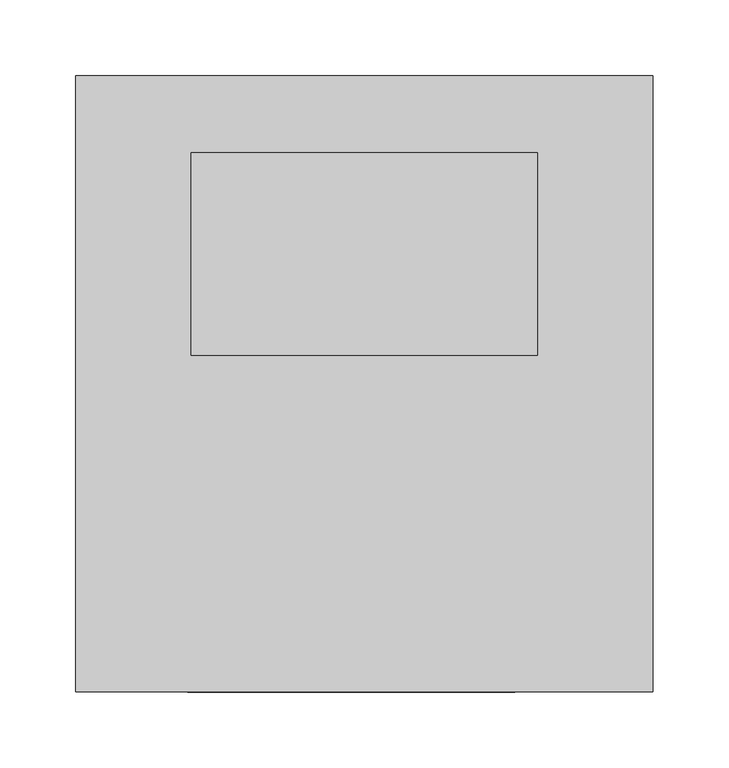
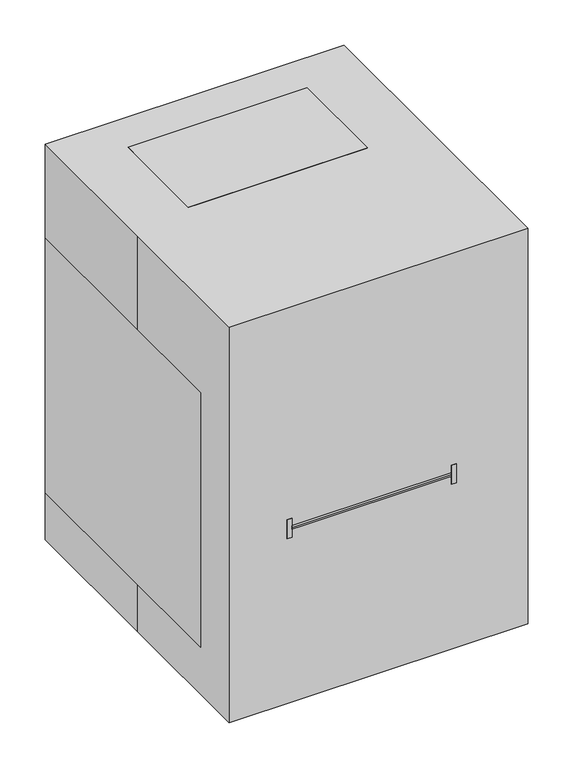
"""IFC4 building model written with IfcOpenShell, lengths in millimetres: proxy geometry."""

import ifcopenshell
import ifcopenshell.guid

model = None  # the IFC model being written
_history = None  # IfcOwnerHistory: only IFC2X3 demands one
_inside = {}  # id of a spatial element -> (the spatial element, [elements in it])
_under = {}  # id of a project, library or spatial element -> (it, [spatial elements below it])
_declared = {}  # id of a project -> (the project, [libraries it declares])
_typed = {}  # id of a type object -> (the type object, [elements of that type])
_made_of = {}  # id of a material, layer set ... -> (it, [elements and type objects made of it])


def new_model(schema):
    """Start an empty IFC model of exactly this schema.

    Asked for "IFC4X3", IfcOpenShell would pick the latest addendum, in which some entities
    have other attributes; the version numbers below select the first issue.
    IFC2X3 requires an IfcOwnerHistory on every rooted entity: one is made here for all.
    """
    global model, _history
    if schema == "IFC4X3":
        model = ifcopenshell.file(schema_version=(4, 3, 0, 0))
    else:
        model = ifcopenshell.file(schema=schema)
    _inside.clear()
    _under.clear()
    _declared.clear()
    _typed.clear()
    _made_of.clear()
    _history = None
    if model.schema == "IFC2X3":
        org = make("IfcOrganization", Name="unknown")
        user = make(
            "IfcPersonAndOrganization",
            ThePerson=make("IfcPerson", FamilyName="unknown"),
            TheOrganization=org,
        )
        app = make(
            "IfcApplication",
            ApplicationDeveloper=org,
            Version="unknown",
            ApplicationFullName="unknown",
            ApplicationIdentifier="unknown",
        )
        _history = make(
            "IfcOwnerHistory",
            OwningUser=user,
            OwningApplication=app,
            ChangeAction="ADDED",
            CreationDate=0,
        )
    return model


def make(cls, **values):
    """One entity of the class cls with the attributes given. An attribute that is None is left unset."""
    return model.create_entity(
        cls, **{name: value for name, value in values.items() if value is not None}
    )


def rooted(cls, **values):
    """An entity with a GlobalId (a new one), such as an element, a storey or a relation."""
    return make(cls, GlobalId=ifcopenshell.guid.new(), OwnerHistory=_history, **values)


def si_unit(unit_type, name, prefix=None):
    """IfcSIUnit, for example si_unit("LENGTHUNIT", "METRE", prefix="MILLI")."""
    return make("IfcSIUnit", UnitType=unit_type, Prefix=prefix, Name=name)


def assignment(units):
    """IfcUnitAssignment: the units of a project."""
    return None if units is None else make("IfcUnitAssignment", Units=units)


def point(xyz):
    """IfcCartesianPoint."""
    return None if xyz is None else make("IfcCartesianPoint", Coordinates=xyz)


def direction(xyz):
    """IfcDirection."""
    return None if xyz is None else make("IfcDirection", DirectionRatios=xyz)


def frame(location, z_axis=None, x_axis=None):
    """IfcAxis2Placement3D, a coordinate frame: its origin and axes. An axis left out is left unset."""
    return make(
        "IfcAxis2Placement3D",
        Location=point(location),
        Axis=direction(z_axis),
        RefDirection=direction(x_axis),
    )


def frame_2d(location, x_axis=None):
    """IfcAxis2Placement2D, a coordinate frame in the plane: its origin and x axis."""
    return make(
        "IfcAxis2Placement2D", Location=point(location), RefDirection=direction(x_axis)
    )


def origin():
    """The frame at (0, 0, 0) with its axes left unset."""
    return frame((0.0, 0.0, 0.0))


def origin_with_axes():
    """The frame at (0, 0, 0) with the z axis (0, 0, 1) and the x axis (1, 0, 0) written out."""
    return frame((0.0, 0.0, 0.0), z_axis=(0.0, 0.0, 1.0), x_axis=(1.0, 0.0, 0.0))


def place(relative_to, where):
    """IfcLocalPlacement: puts the frame where relative to a parent placement (None: the world)."""
    return make(
        "IfcLocalPlacement", PlacementRelTo=relative_to, RelativePlacement=where
    )


def context(
    kind, dimensions, precision=None, world=None, true_north=None, identifier=None
):
    """IfcGeometricRepresentationContext, for example the 3D "Model" context."""
    return make(
        "IfcGeometricRepresentationContext",
        ContextIdentifier=identifier,
        ContextType=kind,
        CoordinateSpaceDimension=dimensions,
        Precision=precision,
        WorldCoordinateSystem=world,
        TrueNorth=true_north,
    )


def project(units=None, contexts=None):
    """IfcProject with its units and contexts."""
    return rooted(
        "IfcProject",
        Name="project",
        RepresentationContexts=contexts,
        UnitsInContext=assignment(units),
    )


def spatial(cls, under=None, at=None, **own):
    """A site, building, storey or space (cls), placed at a placement, below another one or the project."""
    s = rooted(cls, ObjectPlacement=at, **own)
    if under is not None:
        _under.setdefault(under.id(), (under, []))[1].append(s)
    return s


def polyline(points):
    """IfcPolyline through the points."""
    return make("IfcPolyline", Points=[point(p) for p in points])


def circle_curve(where, radius):
    """IfcCircle in the frame where."""
    return make("IfcCircle", Position=where, Radius=radius)


def ellipse_curve(where, semi_axis1, semi_axis2):
    """IfcEllipse in the frame where."""
    return make(
        "IfcEllipse", Position=where, SemiAxis1=semi_axis1, SemiAxis2=semi_axis2
    )


def trimmed(basis, trim1, trim2, sense, master):
    """IfcTrimmedCurve: the piece of a basis curve between two trims."""
    return make(
        "IfcTrimmedCurve",
        BasisCurve=basis,
        Trim1=trim1,
        Trim2=trim2,
        SenseAgreement=sense,
        MasterRepresentation=master,
    )


def segment(curve, same_sense, transition):
    """IfcCompositeCurveSegment."""
    return make(
        "IfcCompositeCurveSegment",
        Transition=transition,
        SameSense=same_sense,
        ParentCurve=curve,
    )


def composite_curve(segments, self_intersect=None):
    """IfcCompositeCurve: segments joined end to end."""
    return make("IfcCompositeCurve", Segments=segments, SelfIntersect=self_intersect)


def outline(outer, holes=None, kind="AREA"):
    """IfcArbitraryClosedProfileDef: a profile drawn as a closed curve; with holes, ...WithVoids."""
    if holes is None:
        return make("IfcArbitraryClosedProfileDef", ProfileType=kind, OuterCurve=outer)
    return make(
        "IfcArbitraryProfileDefWithVoids",
        ProfileType=kind,
        OuterCurve=outer,
        InnerCurves=holes,
    )


def extrude(swept, where, along, depth):
    """IfcExtrudedAreaSolid: the profile swept, set in the frame where, extruded along a direction by depth."""
    return make(
        "IfcExtrudedAreaSolid",
        SweptArea=swept,
        Position=where,
        ExtrudedDirection=direction(along),
        Depth=depth,
    )


def shape(context_of_items, identifier, shape_type, items):
    """IfcShapeRepresentation: the items that make up one representation, for example the "Body"."""
    return make(
        "IfcShapeRepresentation",
        ContextOfItems=context_of_items,
        RepresentationIdentifier=identifier,
        RepresentationType=shape_type,
        Items=items,
    )


def source(mapping_origin, context_of_items, identifier, shape_type, items):
    """IfcRepresentationMap: a shape defined once, which mapped items show again and again."""
    return make(
        "IfcRepresentationMap",
        MappingOrigin=mapping_origin,
        MappedRepresentation=shape(context_of_items, identifier, shape_type, items),
    )


def transform(
    local_origin,
    x_axis=None,
    y_axis=None,
    z_axis=None,
    scale=None,
    scale2=None,
    scale3=None,
    uniform=True,
):
    """IfcCartesianTransformationOperator3D, or its non-uniform kind. x_axis, y_axis, z_axis: its Axis1, 2, 3."""
    if uniform:
        return make(
            "IfcCartesianTransformationOperator3D",
            Axis1=direction(x_axis),
            Axis2=direction(y_axis),
            LocalOrigin=point(local_origin),
            Scale=scale,
            Axis3=direction(z_axis),
        )
    return make(
        "IfcCartesianTransformationOperator3DnonUniform",
        Axis1=direction(x_axis),
        Axis2=direction(y_axis),
        LocalOrigin=point(local_origin),
        Scale=scale,
        Axis3=direction(z_axis),
        Scale2=scale2,
        Scale3=scale3,
    )


def mapped(mapping_source, mapping_target):
    """IfcMappedItem: shows the shape of a source again, moved by a transform."""
    return make(
        "IfcMappedItem", MappingSource=mapping_source, MappingTarget=mapping_target
    )


def made_of(thing, what):
    """Note that an element or type object is made of a material, layer set ...; save() writes the relation."""
    if what is not None:
        _made_of.setdefault(what.id(), (what, []))[1].append(thing)
    return thing


def element(
    cls,
    number,
    at=None,
    inside=None,
    cuts=None,
    type_object=None,
    material=None,
    context=None,
    identifier="Body",
    shape_type=None,
    held_by="IfcProductDefinitionShape",
    body=None,
    shapes=None,
    **own,
):
    """One element of the class cls, such as IfcWall. Its Tag is "e" and its number.

    at: its placement. inside: the storey or other place that contains it. cuts: it is an
    opening in that element (IfcRelVoidsElement). A single representation is given by context,
    identifier, shape_type and body (its items); several are given by shapes. held_by: the class
    of the entity that holds the representations. save() writes the other relations.
    """
    e = rooted(cls, Tag="e%d" % number, ObjectPlacement=at, **own)
    if body is not None:
        shapes = [shape(context, identifier, shape_type, body)]
    if shapes is not None:
        e.Representation = make(held_by, Representations=shapes)
    if inside is not None:
        _inside.setdefault(inside.id(), (inside, []))[1].append(e)
    if cuts is not None:
        rooted(
            "IfcRelVoidsElement", RelatingBuildingElement=cuts, RelatedOpeningElement=e
        )
    if type_object is not None:
        _typed.setdefault(type_object.id(), (type_object, []))[1].append(e)
    return made_of(e, material)


def aggregate(whole, parts):
    """IfcRelAggregates: a whole, such as a stair, and the parts it consists of."""
    return rooted("IfcRelAggregates", RelatingObject=whole, RelatedObjects=parts)


def save(model, path):
    """Write the relations noted so far, then the file.

    IfcRelAggregates (storeys below a building ...), IfcRelContainedInSpatialStructure (elements
    in a storey), IfcRelDefinesByType, IfcRelAssociatesMaterial and IfcRelDeclares: one each for
    every whole, place, type object, material and project.
    """
    for whole, parts in _under.values():
        aggregate(whole, parts)
    for where, things in _inside.values():
        rooted(
            "IfcRelContainedInSpatialStructure",
            RelatedElements=things,
            RelatingStructure=where,
        )
    for kind, things in _typed.values():
        rooted("IfcRelDefinesByType", RelatedObjects=things, RelatingType=kind)
    for what, things in _made_of.values():
        rooted("IfcRelAssociatesMaterial", RelatedObjects=things, RelatingMaterial=what)
    for by, libraries in _declared.values():
        rooted("IfcRelDeclares", RelatingContext=by, RelatedDefinitions=libraries)
    model.write(path)


def plane_surface(at):
    """IfcPlane: the flat surface through the origin of the frame at, square to its z axis."""
    return make("IfcPlane", Position=at)


def revolved_surface(curve, axis_point, axis_direction):
    """IfcSurfaceOfRevolution: the curve turned about the line through axis_point along axis_direction."""
    return make(
        "IfcSurfaceOfRevolution",
        SweptCurve=make("IfcArbitraryOpenProfileDef", ProfileType="CURVE", Curve=curve),
        AxisPosition=make("IfcAxis1Placement", Location=point(axis_point), Axis=direction(axis_direction)),
    )


def advanced_brep(points, edges, surfaces, faces):
    """IfcAdvancedBrep: a solid bounded by faces that lie on surfaces and meet in shared edges.

    An edge is (start, end): straight between two places in points (the first is 0);
    or (start, end, curve); or (start, end, curve, False) where it runs against its curve.
    A face is (place in surfaces, loops), or (place, loops, False) where it looks against
    its surface's normal. A loop lists edges by number (the first is 1), with a minus sign
    where the edge is run from its end to its start. The first loop is the outer one.
    """
    corners = [point(p) for p in points]
    vertices = [make("IfcVertexPoint", VertexGeometry=c) for c in corners]
    made = []
    for start, end, *more in edges:
        made.append(
            make(
                "IfcEdgeCurve",
                EdgeStart=vertices[start],
                EdgeEnd=vertices[end],
                EdgeGeometry=more[0] if more else make("IfcPolyline", Points=[corners[start], corners[end]]),
                SameSense=more[1] if len(more) > 1 else True,
            )
        )
    hull = []
    for where, loops, *sense in faces:
        bounds = []
        for j, loop in enumerate(loops):
            ring = [make("IfcOrientedEdge", EdgeElement=made[abs(k) - 1], Orientation=k > 0) for k in loop]
            bounds.append(
                make(
                    "IfcFaceOuterBound" if j == 0 else "IfcFaceBound",
                    Bound=make("IfcEdgeLoop", EdgeList=ring),
                    Orientation=True,
                )
            )
        hull.append(make("IfcAdvancedFace", Bounds=bounds, FaceSurface=surfaces[where], SameSense=sense[0] if sense else True))
    return make("IfcAdvancedBrep", Outer=make("IfcClosedShell", CfsFaces=hull))


def specialty_equipment_c4cd605c(model_context):
    return source(origin(), model_context, "Body", "SolidModel", [
        extrude(outline(polyline([(0.0, -25.5914377), (0.0, 0.0), (12.6999999, 0.0), (12.6999999, -25.5914377), (0.0, -25.5914377)])), frame((58.817219, -9.8927789, 446.2580582), z_axis=(0.0, 0.18428853505018944, 0.9828721869343212), x_axis=(0.0, 0.9828721869343212, -0.18428853505018944)), (0.0, 0.0, 1.0), 12.7),
        extrude(outline(polyline([(0.0, -39.4493307), (0.0, 0.0), (12.7, 0.0), (12.7, -39.4493307), (0.0, -39.4493307)])), frame((58.817219, -5.1590339, 473.1988265), z_axis=(0.0, 0.18428853505018944, 0.9828721869343212), x_axis=(0.0, 0.9828721869343212, -0.18428853505018944)), (0.0, 0.0, 1.0), 12.7),
        advanced_brep(
        [(-33.7035425, 19.6808212, 515.5977131), (-61.832781, 19.6808212, 515.5977131), (-61.832781, 19.6808212, 502.8977131), (-33.7035425, 19.6808212, 502.8977131), (-33.7035425, 15.7120712, 515.5977131), (-61.832781, 15.7120712, 515.5977131), (-61.832781, 13.3308212, 502.8977131), (-33.7035425, 13.3308212, 502.8977131), (10.7464575, 19.6808212, 515.5977131), (-17.382781, 19.6808212, 515.5977131), (-17.382781, 19.6808212, 502.8977131), (10.7464575, 19.6808212, 502.8977131), (10.7464575, 15.7120712, 515.5977131), (-17.382781, 15.7120712, 515.5977131), (-17.382781, 13.3308212, 502.8977131), (10.7464575, 13.3308212, 502.8977131), (86.9464575, 19.6808212, 515.5977131), (58.817219, 19.6808212, 515.5977131), (58.817219, 19.6808212, 502.8977131), (86.9464575, 19.6808212, 502.8977131), (86.9464575, 15.7120712, 515.5977131), (58.817219, 15.7120712, 515.5977131), (58.817219, 13.3308212, 502.8977131), (86.9464575, 13.3308212, 502.8977131), (-81.3285425, 19.6808212, 515.5977131), (-98.425, 19.6808212, 515.5977131), (-98.425, 19.6808212, 502.8977131), (-81.3285425, 19.6808212, 502.8977131), (-81.3285425, 15.7120712, 515.5977131), (-98.425, 15.7120712, 515.5977131), (-98.425, 13.3308212, 502.8977131), (-81.3285425, 13.3308212, 502.8977131), (-1.1880744, 19.9716696, 476.932238), (11.5119256, 19.9716696, 476.932238), (-1.1880744, 8.4622946, 476.932238), (5.1619256, 7.2716696, 470.582238), (11.5119256, 8.4622946, 476.932238), (11.148763, 3.3029196, 449.4155713), (-0.8249118, 3.3029196, 449.4155713), (-1.1880744, 16.0029196, 451.532238), (11.5119256, 16.0029196, 451.532238), (-1.1880744, 3.6997946, 451.532238), (11.5119256, 3.6997946, 451.532238), (-13.5268228, 5.6841696, 462.1155713), (-19.8099793, 5.6841696, 462.1155713), (-23.0184011, 18.3841696, 467.6339938), (-10.3184011, 18.3841696, 467.6339938), (-23.0184011, 6.7188738, 467.6339938), (-10.3184011, 6.7188738, 467.6339938), (-38.9268228, 5.6841696, 462.1155713), (-45.2099793, 5.6841696, 462.1155713), (-48.4184011, 19.9716696, 467.6339938), (-35.7184011, 19.9716696, 467.6339938), (-48.4184011, 6.7188738, 467.6339938), (-35.7184011, 6.7188738, 467.6339938), (-64.3268228, 5.6841696, 462.1155713), (-70.6099793, 5.6841696, 462.1155713), (-73.8184011, 19.9716696, 467.6339938), (-61.1184011, 19.9716696, 467.6339938), (-73.8184011, 6.7188738, 467.6339938), (-61.1184011, 6.7188738, 467.6339938), (-86.5509752, 5.6841696, 462.1155713), (-92.8341316, 5.6841696, 462.1155713), (-96.0425534, 17.4344988, 467.6339938), (-83.3425534, 17.4344988, 467.6339938), (-96.0425534, 6.7188738, 467.6339938), (-83.3425534, 6.7188738, 467.6339938), (114.3, 152.4, 533.4), (-114.3, 152.4, 533.4), (-114.3, 19.05, 533.4), (114.3, 19.05, 533.4), (114.3, 152.4, 431.8), (114.3, 0.0, 431.8), (-114.3, 0.0, 431.8), (-114.3, 152.4, 431.8)],
        [
            (0, 1),
            (1, 2),
            (2, 3),
            (3, 0),
            (0, 4),
            (4, 5),
            (5, 1),
            (5, 6),
            (6, 2),
            (6, 7),
            (7, 3),
            (7, 4),
            (8, 9),
            (9, 10),
            (10, 11),
            (11, 8),
            (8, 12),
            (12, 13),
            (13, 9),
            (13, 14),
            (14, 10),
            (14, 15),
            (15, 11),
            (15, 12),
            (16, 17),
            (17, 18),
            (18, 19),
            (19, 16),
            (16, 20),
            (20, 21),
            (21, 17),
            (21, 22),
            (22, 18),
            (22, 23),
            (23, 19),
            (23, 20),
            (24, 25),
            (25, 26),
            (26, 27),
            (27, 24),
            (24, 28),
            (28, 29),
            (29, 25),
            (29, 30),
            (30, 26),
            (30, 31),
            (31, 27),
            (31, 28),
            (32, 33, circle_curve(frame((5.1619256, 19.9716696, 476.932238), z_axis=(0.0, -1.0, 0.0), x_axis=(1.0, 0.0, 0.0)), 6.35)),
            (33, 32, circle_curve(frame((5.1619256, 19.9716696, 476.932238), z_axis=(0.0, -1.0, 0.0), x_axis=(1.0, 0.0, 0.0)), 6.35)),
            (32, 34),
            (34, 35, ellipse_curve(frame((5.1619256, 8.4622946, 476.932238), z_axis=(0.0, -0.9828721869343219, 0.18428853505018564), x_axis=(0.0, -0.18428853505018514, -0.9828721869343221)), 6.4606569, 6.35)),
            (35, 36, ellipse_curve(frame((5.1619256, 8.4622946, 476.932238), z_axis=(0.0, -0.9828721869343219, 0.18428853505018564), x_axis=(0.0, -0.18428853505018514, -0.9828721869343221)), 6.4606569, 6.35)),
            (36, 33),
            (36, 34, ellipse_curve(frame((5.1619256, 8.4622946, 476.932238), z_axis=(0.0, -0.9828721869343219, 0.18428853505018564), x_axis=(0.0, -0.18428853505018514, -0.9828721869343221)), 6.4606569, 6.35)),
            (37, 38, circle_curve(frame((5.1619256, 3.3029196, 451.532238), z_axis=(0.0, 1.0, 0.0), x_axis=(1.0, 0.0, 0.0)), 6.35)),
            (38, 37),
            (39, 40, circle_curve(frame((5.1619256, 16.0029196, 451.532238), z_axis=(0.0, -1.0, 0.0), x_axis=(1.0, 0.0, 0.0)), 6.35)),
            (40, 39, circle_curve(frame((5.1619256, 16.0029196, 451.532238), z_axis=(0.0, -1.0, 0.0), x_axis=(1.0, 0.0, 0.0)), 6.35)),
            (39, 41),
            (41, 38, ellipse_curve(frame((5.1619256, 3.6997946, 451.532238), z_axis=(0.0, -0.9828721869343219, 0.18428853505018564), x_axis=(0.0, -0.18428853505018514, -0.9828721869343221)), 6.4606569, 6.35)),
            (37, 42, ellipse_curve(frame((5.1619256, 3.6997946, 451.532238), z_axis=(0.0, -0.9828721869343219, 0.18428853505018564), x_axis=(0.0, -0.18428853505018514, -0.9828721869343221)), 6.4606569, 6.35)),
            (42, 40),
            (42, 41, ellipse_curve(frame((5.1619256, 3.6997946, 451.532238), z_axis=(0.0, -0.9828721869343219, 0.18428853505018564), x_axis=(0.0, -0.18428853505018514, -0.9828721869343221)), 6.4606569, 6.35)),
            (43, 44, circle_curve(frame((-16.6684011, 5.6841696, 467.6339938), z_axis=(0.0, 1.0, 0.0), x_axis=(1.0, 0.0, 0.0)), 6.35)),
            (44, 43),
            (45, 46, circle_curve(frame((-16.6684011, 18.3841696, 467.6339938), z_axis=(0.0, -1.0, 0.0), x_axis=(1.0, 0.0, 0.0)), 6.35)),
            (46, 45, circle_curve(frame((-16.6684011, 18.3841696, 467.6339938), z_axis=(0.0, -1.0, 0.0), x_axis=(1.0, 0.0, 0.0)), 6.35)),
            (45, 47),
            (47, 44, ellipse_curve(frame((-16.6684011, 6.7188738, 467.6339938), z_axis=(0.0, -0.9828721869343219, 0.18428853505018564), x_axis=(0.0, -0.18428853505018514, -0.9828721869343221)), 6.4606569, 6.35)),
            (43, 48, ellipse_curve(frame((-16.6684011, 6.7188738, 467.6339938), z_axis=(0.0, -0.9828721869343219, 0.18428853505018564), x_axis=(0.0, -0.18428853505018514, -0.9828721869343221)), 6.4606569, 6.35)),
            (48, 46),
            (48, 47, ellipse_curve(frame((-16.6684011, 6.7188738, 467.6339938), z_axis=(0.0, -0.9828721869343219, 0.18428853505018564), x_axis=(0.0, -0.18428853505018514, -0.9828721869343221)), 6.4606569, 6.35)),
            (49, 50, circle_curve(frame((-42.0684011, 5.6841696, 467.6339938), z_axis=(0.0, 1.0, 0.0), x_axis=(1.0, 0.0, 0.0)), 6.35)),
            (50, 49),
            (51, 52, circle_curve(frame((-42.0684011, 19.9716696, 467.6339938), z_axis=(0.0, -1.0, 0.0), x_axis=(1.0, 0.0, 0.0)), 6.35)),
            (52, 51, circle_curve(frame((-42.0684011, 19.9716696, 467.6339938), z_axis=(0.0, -1.0, 0.0), x_axis=(1.0, 0.0, 0.0)), 6.35)),
            (51, 53),
            (53, 50, ellipse_curve(frame((-42.0684011, 6.7188738, 467.6339938), z_axis=(0.0, -0.9828721869343219, 0.18428853505018564), x_axis=(0.0, -0.18428853505018514, -0.9828721869343221)), 6.4606569, 6.35)),
            (49, 54, ellipse_curve(frame((-42.0684011, 6.7188738, 467.6339938), z_axis=(0.0, -0.9828721869343219, 0.18428853505018564), x_axis=(0.0, -0.18428853505018514, -0.9828721869343221)), 6.4606569, 6.35)),
            (54, 52),
            (54, 53, ellipse_curve(frame((-42.0684011, 6.7188738, 467.6339938), z_axis=(0.0, -0.9828721869343219, 0.18428853505018564), x_axis=(0.0, -0.18428853505018514, -0.9828721869343221)), 6.4606569, 6.35)),
            (55, 56, circle_curve(frame((-67.4684011, 5.6841696, 467.6339938), z_axis=(0.0, 1.0, 0.0), x_axis=(1.0, 0.0, 0.0)), 6.35)),
            (56, 55),
            (57, 58, circle_curve(frame((-67.4684011, 19.9716696, 467.6339938), z_axis=(0.0, -1.0, 0.0), x_axis=(1.0, 0.0, 0.0)), 6.35)),
            (58, 57, circle_curve(frame((-67.4684011, 19.9716696, 467.6339938), z_axis=(0.0, -1.0, 0.0), x_axis=(1.0, 0.0, 0.0)), 6.35)),
            (57, 59),
            (59, 56, ellipse_curve(frame((-67.4684011, 6.7188738, 467.6339938), z_axis=(0.0, -0.9828721869343219, 0.18428853505018564), x_axis=(0.0, -0.18428853505018514, -0.9828721869343221)), 6.4606569, 6.35)),
            (55, 60, ellipse_curve(frame((-67.4684011, 6.7188738, 467.6339938), z_axis=(0.0, -0.9828721869343219, 0.18428853505018564), x_axis=(0.0, -0.18428853505018514, -0.9828721869343221)), 6.4606569, 6.35)),
            (60, 58),
            (60, 59, ellipse_curve(frame((-67.4684011, 6.7188738, 467.6339938), z_axis=(0.0, -0.9828721869343219, 0.18428853505018564), x_axis=(0.0, -0.18428853505018514, -0.9828721869343221)), 6.4606569, 6.35)),
            (61, 62, circle_curve(frame((-89.6925534, 5.6841696, 467.6339938), z_axis=(0.0, 1.0, 0.0), x_axis=(1.0, 0.0, 0.0)), 6.35)),
            (62, 61),
            (63, 64, circle_curve(frame((-89.6925534, 17.4344988, 467.6339938), z_axis=(0.0, -1.0, 0.0), x_axis=(1.0, 0.0, 0.0)), 6.35)),
            (64, 63, circle_curve(frame((-89.6925534, 17.4344988, 467.6339938), z_axis=(0.0, -1.0, 0.0), x_axis=(1.0, 0.0, 0.0)), 6.35)),
            (63, 65),
            (65, 62, ellipse_curve(frame((-89.6925534, 6.7188738, 467.6339938), z_axis=(0.0, -0.9828721869343219, 0.18428853505018564), x_axis=(0.0, -0.18428853505018514, -0.9828721869343221)), 6.4606569, 6.35)),
            (61, 66, ellipse_curve(frame((-89.6925534, 6.7188738, 467.6339938), z_axis=(0.0, -0.9828721869343219, 0.18428853505018564), x_axis=(0.0, -0.18428853505018514, -0.9828721869343221)), 6.4606569, 6.35)),
            (66, 64),
            (66, 65, ellipse_curve(frame((-89.6925534, 6.7188738, 467.6339938), z_axis=(0.0, -0.9828721869343219, 0.18428853505018564), x_axis=(0.0, -0.18428853505018514, -0.9828721869343221)), 6.4606569, 6.35)),
            (67, 68),
            (68, 69),
            (69, 70),
            (70, 67),
            (71, 72),
            (72, 73),
            (73, 74),
            (74, 71),
            (67, 71),
            (74, 68),
            (73, 69),
            (72, 70),
        ],
        [
            plane_surface(frame((-61.832781, 19.6808212, 515.5977131), z_axis=(0.0, -1.0, 0.0), x_axis=(1.0, 0.0, 0.0))),
            plane_surface(frame((-33.7035425, 13.3308212, 515.5977131), z_axis=(0.0, 0.0, -1.0), x_axis=(0.0, 1.0, 0.0))),
            plane_surface(frame((-61.832781, 13.3308212, 515.5977131), z_axis=(1.0, 0.0, 0.0), x_axis=(0.0, 1.0, 0.0))),
            plane_surface(frame((-61.832781, 13.3308212, 502.8977131), z_axis=(0.0, 0.0, 1.0), x_axis=(0.0, 1.0, 0.0))),
            plane_surface(frame((-33.7035425, 13.3308212, 502.8977131), z_axis=(-1.0, 0.0, 0.0), x_axis=(0.0, 1.0, 0.0))),
            plane_surface(frame((-17.382781, 19.6808212, 515.5977131), z_axis=(0.0, -1.0, 0.0), x_axis=(1.0, 0.0, 0.0))),
            plane_surface(frame((10.7464575, 13.3308212, 515.5977131), z_axis=(0.0, 0.0, -1.0), x_axis=(0.0, 1.0, 0.0))),
            plane_surface(frame((-17.382781, 13.3308212, 515.5977131), z_axis=(1.0, 0.0, 0.0), x_axis=(0.0, 1.0, 0.0))),
            plane_surface(frame((-17.382781, 13.3308212, 502.8977131), z_axis=(0.0, 0.0, 1.0), x_axis=(0.0, 1.0, 0.0))),
            plane_surface(frame((10.7464575, 13.3308212, 502.8977131), z_axis=(-1.0, 0.0, 0.0), x_axis=(0.0, 1.0, 0.0))),
            plane_surface(frame((58.817219, 19.6808212, 515.5977131), z_axis=(0.0, -1.0, 0.0), x_axis=(1.0, 0.0, 0.0))),
            plane_surface(frame((86.9464575, 13.3308212, 515.5977131), z_axis=(0.0, 0.0, -1.0), x_axis=(0.0, 1.0, 0.0))),
            plane_surface(frame((58.817219, 13.3308212, 515.5977131), z_axis=(1.0, 0.0, 0.0), x_axis=(0.0, 1.0, 0.0))),
            plane_surface(frame((58.817219, 13.3308212, 502.8977131), z_axis=(0.0, 0.0, 1.0), x_axis=(0.0, 1.0, 0.0))),
            plane_surface(frame((86.9464575, 13.3308212, 502.8977131), z_axis=(-1.0, 0.0, 0.0), x_axis=(0.0, 1.0, 0.0))),
            plane_surface(frame((-109.457781, 19.6808212, 515.5977131), z_axis=(0.0, -1.0, 0.0), x_axis=(1.0, 0.0, 0.0))),
            plane_surface(frame((-81.3285425, 13.3308212, 515.5977131), z_axis=(0.0, 0.0, -1.0), x_axis=(0.0, 1.0, 0.0))),
            plane_surface(frame((-98.425, 13.3308212, 515.5977131), z_axis=(1.0, 0.0, 0.0), x_axis=(0.0, 1.0, 0.0))),
            plane_surface(frame((-98.425, 13.3308212, 502.8977131), z_axis=(0.0, 0.0, 1.0), x_axis=(0.0, 1.0, 0.0))),
            plane_surface(frame((-81.3285425, 13.3308212, 502.8977131), z_axis=(-1.0, 0.0, 0.0), x_axis=(0.0, 1.0, 0.0))),
            plane_surface(frame((11.5119256, 19.9716696, 476.932238), z_axis=(0.0, -1.0, 0.0), x_axis=(0.0, 0.0, -1.0))),
            revolved_surface(polyline([(11.5119256, 7.271669599999999, 476.932238), (11.5119256, 19.9716696, 476.932238)]), (5.1619256, 19.9716696, 476.932238), (0.0, -1.0, 0.0)),
            revolved_surface(polyline([(11.5119256, 7.271669604437129, 476.932238), (11.5119256, 19.9716696, 476.932238)]), (5.1619256, 19.9716696, 476.932238), (0.0, -1.0, 0.0)),
            plane_surface(frame((11.5119256, 3.3029196, 451.532238), z_axis=(0.0, 1.0, 0.0), x_axis=(0.0, 0.0, 1.0))),
            plane_surface(frame((11.5119256, 16.0029196, 451.532238), z_axis=(0.0, -1.0, 0.0), x_axis=(0.0, 0.0, -1.0))),
            revolved_surface(polyline([(11.5119256, 2.5091696044371297, 451.532238), (11.5119256, 16.0029196, 451.532238)]), (5.1619256, 16.0029196, 451.532238), (0.0, -1.0, 0.0)),
            plane_surface(frame((-10.3184011, 5.6841696, 467.6339938), z_axis=(0.0, 1.0, 0.0), x_axis=(0.0, 0.0, 1.0))),
            plane_surface(frame((-10.3184011, 18.3841696, 467.6339938), z_axis=(0.0, -1.0, 0.0), x_axis=(0.0, 0.0, -1.0))),
            revolved_surface(polyline([(-10.3184011, 5.52824880443713, 467.6339938), (-10.3184011, 18.3841696, 467.6339938)]), (-16.6684011, 18.3841696, 467.6339938), (0.0, -1.0, 0.0)),
            plane_surface(frame((-35.7184011, 5.6841696, 467.6339938), z_axis=(0.0, 1.0, 0.0), x_axis=(0.0, 0.0, 1.0))),
            plane_surface(frame((-35.7184011, 19.9716696, 467.6339938), z_axis=(0.0, -1.0, 0.0), x_axis=(0.0, 0.0, -1.0))),
            revolved_surface(polyline([(-35.7184011, 5.52824880443713, 467.6339938), (-35.7184011, 19.9716696, 467.6339938)]), (-42.0684011, 19.9716696, 467.6339938), (0.0, -1.0, 0.0)),
            plane_surface(frame((-61.1184011, 5.6841696, 467.6339938), z_axis=(0.0, 1.0, 0.0), x_axis=(0.0, 0.0, 1.0))),
            plane_surface(frame((-61.1184011, 19.9716696, 467.6339938), z_axis=(0.0, -1.0, 0.0), x_axis=(0.0, 0.0, -1.0))),
            revolved_surface(polyline([(-61.11840109999999, 5.52824880443713, 467.6339938), (-61.11840109999999, 19.9716696, 467.6339938)]), (-67.4684011, 19.9716696, 467.6339938), (0.0, -1.0, 0.0)),
            plane_surface(frame((-83.3425534, 5.6841696, 467.6339938), z_axis=(0.0, 1.0, 0.0), x_axis=(0.0, 0.0, 1.0))),
            plane_surface(frame((-83.3425534, 17.4344988, 467.6339938), z_axis=(0.0, -1.0, 0.0), x_axis=(0.0, 0.0, -1.0))),
            revolved_surface(polyline([(-83.3425534, 5.52824880443713, 467.6339938), (-83.3425534, 17.4344988, 467.6339938)]), (-89.6925534, 17.4344988, 467.6339938), (0.0, -1.0, 0.0)),
            plane_surface(frame((0.0, 85.725, 533.4), z_axis=(0.0, 0.0, 1.0), x_axis=(-1.0, 0.0, 0.0))),
            plane_surface(frame((0.0, 76.2, 431.8), z_axis=(0.0, 0.0, -1.0), x_axis=(-1.0, 0.0, 0.0))),
            plane_surface(frame((0.0, 152.4, 431.8), z_axis=(0.0, 1.0, 0.0), x_axis=(-1.0, 0.0, 0.0))),
            plane_surface(frame((-114.3, 76.2, 431.8), z_axis=(-1.0, 0.0, 0.0), x_axis=(0.0, -1.0, 0.0))),
            plane_surface(frame((0.0, 0.0, 431.8), z_axis=(0.0, -0.9828721869343219, 0.18428853505018564), x_axis=(1.0, 0.0, 0.0))),
            plane_surface(frame((114.3, 76.2, 431.8), z_axis=(1.0, 0.0, 0.0), x_axis=(0.0, 1.0, 0.0))),
        ],
        [
            (0, [[1, 2, 3, 4]]),
            (1, [[-1, 5, 6, 7]]),
            (2, [[-2, -7, 8, 9]]),
            (3, [[-3, -9, 10, 11]]),
            (4, [[-4, -11, 12, -5]]),
            (5, [[13, 14, 15, 16]]),
            (6, [[-13, 17, 18, 19]]),
            (7, [[-14, -19, 20, 21]]),
            (8, [[-15, -21, 22, 23]]),
            (9, [[-16, -23, 24, -17]]),
            (10, [[25, 26, 27, 28]]),
            (11, [[-25, 29, 30, 31]]),
            (12, [[-26, -31, 32, 33]]),
            (13, [[-27, -33, 34, 35]]),
            (14, [[-28, -35, 36, -29]]),
            (15, [[37, 38, 39, 40]]),
            (16, [[-37, 41, 42, 43]]),
            (17, [[-38, -43, 44, 45]]),
            (18, [[-39, -45, 46, 47]]),
            (19, [[-40, -47, 48, -41]]),
            (20, [[49, 50]]),
            (21, [[-49, 51, 52, 53, 54]]),
            (22, [[-50, -54, 55, -51]]),
            (23, [[56, 57]]),
            (24, [[58, 59]]),
            (25, [[-58, 60, 61, -56, 62, 63]]),
            (25, [[-59, -63, 64, -60]]),
            (26, [[65, 66]]),
            (27, [[67, 68]]),
            (28, [[-67, 69, 70, -65, 71, 72]]),
            (28, [[-68, -72, 73, -69]]),
            (29, [[74, 75]]),
            (30, [[76, 77]]),
            (31, [[-76, 78, 79, -74, 80, 81]]),
            (31, [[-77, -81, 82, -78]]),
            (32, [[83, 84]]),
            (33, [[85, 86]]),
            (34, [[-85, 87, 88, -83, 89, 90]]),
            (34, [[-86, -90, 91, -87]]),
            (35, [[92, 93]]),
            (36, [[94, 95]]),
            (37, [[-94, 96, 97, -92, 98, 99]]),
            (37, [[-95, -99, 100, -96]]),
            (38, [[101, 102, 103, 104]]),
            (39, [[105, 106, 107, 108]]),
            (40, [[-101, 109, -108, 110]]),
            (41, [[-102, -110, -107, 111]]),
            (42, [[-103, -111, -106, 112], [-6, -12, -10, -8], [-18, -24, -22, -20], [-30, -36, -34, -32], [-42, -48, -46, -44], [-53, -52, -55], [-75, -79, -82, -80], [-84, -88, -91, -89], [-57, -61, -64, -62], [-93, -97, -100, -98], [-66, -70, -73, -71]]),
            (43, [[-104, -112, -105, -109]]),
        ],
    ),
        extrude(outline(polyline([(0.0, 140.2685872), (0.0, 165.6685872), (63.5, 165.6685872), (63.5, 127.5685872), (0.0, 140.2685872)])), frame((0.0, 139.7, 0.0), z_axis=(0.0, 1.0, 0.0), x_axis=(0.0, 0.0, 1.0)), (0.0, 0.0, 1.0), 38.1),
        extrude(outline(polyline([(0.0, -165.6685872), (0.0, -140.2685872), (63.5, -127.5685872), (63.5, -165.6685872), (0.0, -165.6685872)])), frame((0.0, 139.7, 0.0), z_axis=(0.0, 1.0, 0.0), x_axis=(0.0, 0.0, 1.0)), (0.0, 0.0, 1.0), 38.1),
        extrude(outline(polyline([(0.0, 140.2685872), (0.0, 165.6685872), (63.5, 165.6685872), (63.5, 127.5685872), (0.0, 140.2685872)])), frame((0.0, -114.3, 0.0), z_axis=(0.0, 1.0, 0.0), x_axis=(0.0, 0.0, 1.0)), (0.0, 0.0, 1.0), 38.1),
        extrude(outline(polyline([(0.0, -165.6685872), (0.0, -140.2685872), (63.5, -127.5685872), (63.5, -165.6685872), (0.0, -165.6685872)])), frame((0.0, -114.3, 0.0), z_axis=(0.0, 1.0, 0.0), x_axis=(0.0, 0.0, 1.0)), (0.0, 0.0, 1.0), 38.1),
        extrude(outline(composite_curve([segment(trimmed(circle_curve(frame_2d((-137.0420305, -146.8558318)), 6.35), [point((-137.0420305, -140.5058318))], [point((-137.0420305, -153.2058318))], False, "CARTESIAN"), True, "CONTINUOUS"), segment(trimmed(circle_curve(frame_2d((-137.0420305, -146.8558318)), 6.35), [point((-137.0420305, -153.2058318))], [point((-137.0420305, -140.5058318))], False, "CARTESIAN"), True, "CONTINUOUS")], self_intersect=False)), frame((0.0, 0.0, 81.7902562), z_axis=(0.0, 0.0, 1.0), x_axis=(1.0, 0.0, 0.0)), (0.0, 0.0, 1.0), 25.6207018),
        extrude(outline(composite_curve([segment(trimmed(circle_curve(frame_2d((-10.0420305, -157.9683318)), 6.35), [point((-10.0420305, -151.6183318))], [point((-10.0420305, -164.3183318))], False, "CARTESIAN"), True, "CONTINUOUS"), segment(trimmed(circle_curve(frame_2d((-10.0420305, -157.9683318)), 6.35), [point((-10.0420305, -164.3183318))], [point((-10.0420305, -151.6183318))], False, "CARTESIAN"), True, "CONTINUOUS")], self_intersect=False)), frame((0.0, 0.0, 82.144649), z_axis=(0.0, 0.0, 1.0), x_axis=(1.0, 0.0, 0.0)), (0.0, 0.0, 1.0), 31.6831545),
        extrude(outline(polyline([(-10.31875, -161.13125), (-134.439745, -150.27207), (-133.8863061, -143.9462337), (-9.765311, -154.8054137), (-10.31875, -161.13125)])), frame((0.0, 0.0, 88.494649), z_axis=(0.0, 0.0, 1.0), x_axis=(1.0, 0.0, 0.0)), (0.0, 0.0, 1.0), 12.7),
        extrude(outline(composite_curve([segment(trimmed(circle_curve(frame_2d((-137.0420305, -146.8558318)), 6.35), [point((-143.3920305, -146.8558318))], [point((-130.6920305, -146.8558318))], False, "CARTESIAN"), True, "CONTINUOUS"), segment(trimmed(circle_curve(frame_2d((-137.0420305, -146.8558318)), 6.35), [point((-130.6920305, -146.8558318))], [point((-143.3920305, -146.8558318))], False, "CARTESIAN"), True, "CONTINUOUS")], self_intersect=False)), frame((0.0, 0.0, 362.1346492), z_axis=(0.0, 0.0, 1.0), x_axis=(1.0, 0.0, 0.0)), (0.0, 0.0, 1.0), 25.6207018),
        extrude(outline(composite_curve([segment(trimmed(circle_curve(frame_2d((-10.0420305, -157.9683318)), 6.35), [point((-16.3920305, -157.9683318))], [point((-3.6920305, -157.9683318))], False, "CARTESIAN"), True, "CONTINUOUS"), segment(trimmed(circle_curve(frame_2d((-10.0420305, -157.9683318)), 6.35), [point((-3.6920305, -157.9683318))], [point((-16.3920305, -157.9683318))], False, "CARTESIAN"), True, "CONTINUOUS")], self_intersect=False)), frame((0.0, 0.0, 356.0721965), z_axis=(0.0, 0.0, 1.0), x_axis=(1.0, 0.0, 0.0)), (0.0, 0.0, 1.0), 31.6831545),
        extrude(outline(polyline([(-10.31875, -161.13125), (-134.439745, -150.27207), (-133.8863061, -143.9462337), (-9.765311, -154.8054137), (-10.31875, -161.13125)])), frame((0.0, 0.0, 368.705351), z_axis=(0.0, 0.0, 1.0), x_axis=(1.0, 0.0, 0.0)), (0.0, 0.0, 1.0), 12.7),
        extrude(outline(composite_curve([segment(trimmed(circle_curve(frame_2d((-193.7562446, 234.95)), 9.4798715), [point((-203.2361161, 234.95))], [point((-184.2763731, 234.95))], False, "CARTESIAN"), True, "CONTINUOUS"), segment(trimmed(circle_curve(frame_2d((-193.7562446, 234.95)), 9.4798715), [point((-184.2763731, 234.95))], [point((-203.2361161, 234.95))], False, "CARTESIAN"), True, "CONTINUOUS")], self_intersect=False)), frame((-110.2767662, 0.0, 0.0), z_axis=(1.0, 0.0, 0.0), x_axis=(0.0, 1.0, 0.0)), (0.0, 0.0, 1.0), 203.2),
        extrude(outline(polyline([(-110.2767662, -139.7361161), (-110.2767662, -203.2361161), (-116.6267662, -203.2361161), (-116.6267662, -139.7361161), (-110.2767662, -139.7361161)])), frame((0.0, 0.0, 222.25), z_axis=(0.0, 0.0, 1.0), x_axis=(1.0, 0.0, 0.0)), (0.0, 0.0, 1.0), 25.4),
        extrude(outline(polyline([(99.2732338, -139.7361161), (99.2732338, -203.2361161), (92.9232338, -203.2361161), (92.9232338, -139.7361161), (99.2732338, -139.7361161)])), frame((0.0, 0.0, 222.25), z_axis=(0.0, 0.0, 1.0), x_axis=(1.0, 0.0, 0.0)), (0.0, 0.0, 1.0), 25.4),
        extrude(outline(polyline([(92.9232338, -139.7), (92.9232338, -165.1), (-110.2767662, -165.1), (-110.2767662, -139.7), (92.9232338, -139.7)])), frame((0.0, 0.0, 113.8278035), z_axis=(0.0, 0.0, 1.0), x_axis=(1.0, 0.0, 0.0)), (0.0, 0.0, 1.0), 242.244393),
        extrude(outline(polyline([(190.5, 203.2), (190.5, -139.7), (-190.5, -139.7), (-190.5, 203.2), (190.5, 203.2)])), frame((0.0, 0.0, 63.5), z_axis=(0.0, 0.0, 1.0), x_axis=(1.0, 0.0, 0.0)), (0.0, 0.0, 1.0), 342.9),
        extrude(outline(polyline([(95.25, 25.4), (-95.25, 25.4), (-95.25, 127.0), (95.25, 127.0), (95.25, 25.4)])), frame((0.0, 0.0, 406.4), z_axis=(0.0, 0.0, 1.0), x_axis=(1.0, 0.0, 0.0)), (0.0, 0.0, 1.0), 25.4),
        extrude(outline(polyline([(-190.5, 203.2), (190.5, 203.2), (190.5, -203.2), (-190.5, -203.2), (-190.5, 0.0), (-190.5, 203.2)])), origin_with_axes(), (0.0, 0.0, 1.0), 533.4),
    ])


if __name__ == "__main__":
    model = new_model("IFC4")
    model_context = context("Model", 3, world=origin())
    ifc_project = project(units=[si_unit("LENGTHUNIT", "METRE", prefix="MILLI")], contexts=[model_context])
    site = spatial("IfcSite", under=ifc_project)
    building = spatial("IfcBuilding", under=site)
    placement = place(None, origin())
    specialty_equipment_shape = specialty_equipment_c4cd605c(model_context)
    element("IfcBuildingElementProxy", 1, Name="Specialty Equipment", at=placement, inside=building, context=model_context, shape_type="MappedRepresentation", body=[
        mapped(specialty_equipment_shape, transform((0.0, 0.0, 0.0), x_axis=(1.0, 0.0, 0.0), y_axis=(0.0, 1.0, 0.0), z_axis=(0.0, 0.0, 1.0))),
    ])
    save(model, "model.ifc")
